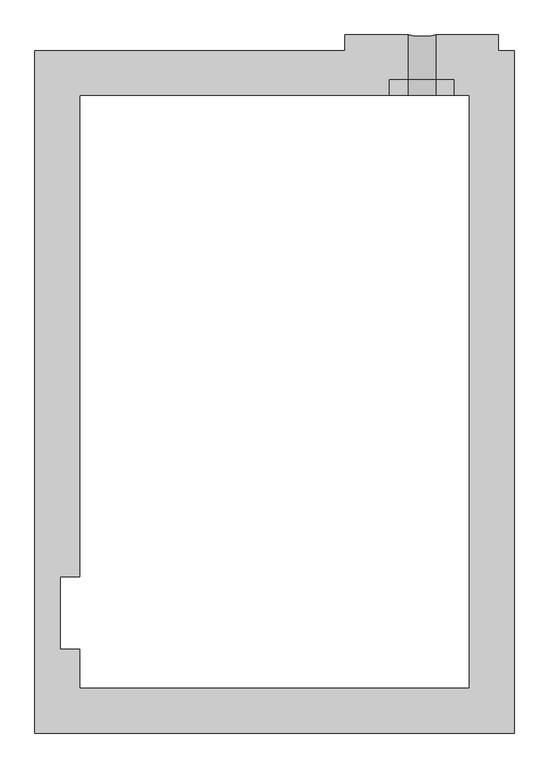
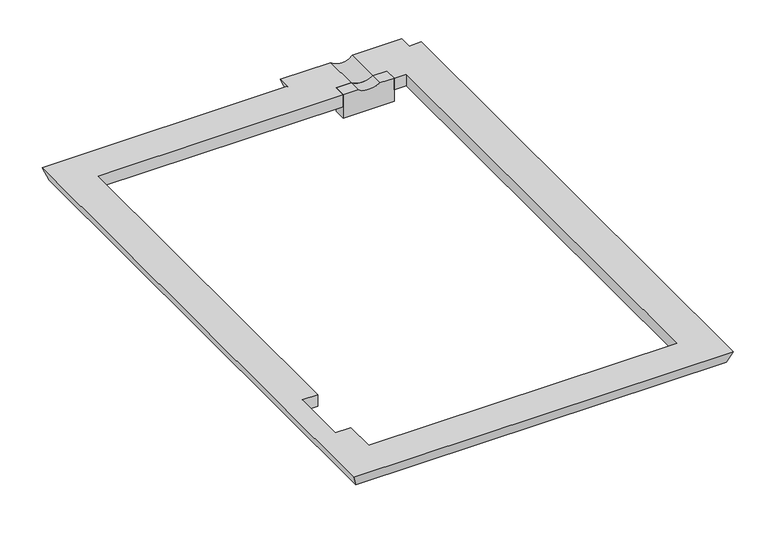
"""IFC4 building model written with IfcOpenShell, lengths in millimetres: geographic element geometry."""

from ifc_helpers import new_model, si_unit, point, frame, frame_2d, origin, place, context, project, spatial, polyline, circle_curve, ellipse_curve, trimmed, segment, composite_curve, outline, extrude, source, transform, mapped, element, save
from ifc_brep_helpers import plane_surface, revolved_surface, advanced_brep


def geographic_element_d4dd52d5(model_context):
    return source(origin(), model_context, "Body", "SolidModel", [
        extrude(outline(composite_curve([segment(polyline([(-400.0, 341.644241), (-400.0, 1167.6442407), (0.0, 1167.6442407), (0.0, 934.5430703)]), True, "CONTINUOUS"), segment(trimmed(circle_curve(frame_2d((265.5002088, 760.428484)), 317.5), [point((0.0, 934.5430703))], [point((0.0, 586.3138977))], True, "CARTESIAN"), True, "CONTINUOUS"), segment(polyline([(0.0, 586.3138977), (0.0, 341.644241), (-400.0, 341.644241)]), True, "CONTINUOUS")], self_intersect=False)), frame((0.0, 4513.5266014, 0.0), z_axis=(0.0, 1.0, 0.0), x_axis=(0.0, 0.0, 1.0)), (0.0, 0.0, 1.0), 200.0),
        advanced_brep(
        [(1367.6442408, 4513.5266014, -200.0), (1367.6442408, 4513.5266014, 0.0), (1167.6442407, 4513.5266014, 0.0), (1167.6442407, 4513.5266014, -200.0), (1941.1780198, 5087.0603804, 0.0), (1868.3839729, 5014.2663335, -200.0), (1668.3839728, 5014.2663335, -200.0), (1741.1780197, 5087.0603804, 0.0), (-3632.3557592, 4513.5266014, -200.0), (-3632.3557592, 4513.5266014, 0.0), (-3632.3557592, -1656.4733986, 0.0), (-3632.3557592, -1656.4733986, -200.0), (-3632.3557592, -3086.4733986, 0.0), (-3632.3557592, -3086.4733986, -200.0), (-3632.3557592, -2586.4733986, -200.0), (-3632.3557592, -2586.4733986, 0.0), (-4205.8895382, 5087.0603804, 0.0), (-4133.0954914, 5014.2663335, -200.0), (-4133.0954914, -3587.2131308, -200.0), (-4205.8895382, -3660.0071776, 0.0), (1367.6442408, -3086.4733986, 0.0), (1367.6442408, -3086.4733986, -200.0), (1868.3839729, -3587.2131308, -200.0), (1941.1780198, -3660.0071776, 0.0), (586.3138977, 4713.5266014, 0.0), (934.5430703, 4713.5266014, 0.0), (934.5430703, 5287.0603804, 0.0), (586.3138977, 5287.0603804, 0.0), (-3882.3557592, -2586.4733986, 0.0), (-3882.3557592, -2586.4733986, -200.0), (-3882.3557592, -1656.4733986, -200.0), (-3882.3557592, -1656.4733986, 0.0), (1167.6442407, 4713.5266014, 0.0), (1167.6442407, 4713.5266014, -200.0), (1668.3839728, 5214.2663335, -200.0), (1741.1780197, 5287.0603804, 0.0), (341.644241, 4713.5266014, 0.0), (341.644241, 4713.5266014, -200.0), (-159.0954911, 5214.2663335, -200.0), (-231.889538, 5287.0603804, 0.0), (341.644241, 4513.5266014, 0.0), (341.644241, 4513.5266014, -200.0), (-159.0954911, 5014.2663335, -200.0), (-231.889538, 5087.0603804, 0.0)],
        [
            (0, 1),
            (1, 2),
            (2, 3),
            (3, 0),
            (4, 5),
            (5, 6),
            (6, 7),
            (7, 4),
            (8, 9),
            (9, 10),
            (10, 11),
            (11, 8),
            (12, 13),
            (13, 14),
            (14, 15),
            (15, 12),
            (16, 17),
            (17, 18),
            (18, 19),
            (19, 16),
            (12, 20),
            (20, 21),
            (21, 13),
            (18, 22),
            (22, 23),
            (23, 19),
            (0, 21),
            (20, 1),
            (4, 23),
            (22, 5),
            (24, 25, circle_curve(frame((760.428484, 4713.5266014, 265.5002088), z_axis=(0.0, -1.0, 0.0), x_axis=(1.0, 0.0, 0.0)), 317.5)),
            (25, 26),
            (26, 27, ellipse_curve(frame((760.428484, 5383.6945536, 265.5002088), z_axis=(0.0, 0.9396926207859083, -0.3420201433256692), x_axis=(0.0, 0.3420201433256689, 0.9396926207859083)), 337.8764428, 317.5)),
            (27, 24),
            (28, 29),
            (29, 30),
            (30, 31),
            (31, 28),
            (30, 11),
            (10, 31),
            (28, 15),
            (14, 29),
            (2, 32),
            (32, 33),
            (33, 3),
            (6, 34),
            (34, 35),
            (35, 7),
            (32, 25),
            (24, 36),
            (36, 37),
            (37, 33),
            (34, 38),
            (38, 39),
            (39, 27),
            (26, 35),
            (36, 40),
            (40, 41),
            (41, 37),
            (38, 42),
            (42, 43),
            (43, 39),
            (9, 40),
            (43, 16),
            (8, 41),
            (17, 42),
        ],
        [
            plane_surface(frame((1367.6442408, 4513.5266014, 0.0), z_axis=(0.0, -1.0, 0.0), x_axis=(-1.0, 0.0, 0.0))),
            plane_surface(frame((1868.3839729, 5014.2663335, -200.0), z_axis=(0.0, 0.9396926207859083, -0.3420201433256692), x_axis=(-1.0, 0.0, 0.0))),
            plane_surface(frame((-3632.3557592, 4513.5266014, 0.0), z_axis=(1.0, 0.0, 0.0), x_axis=(0.0, -1.0, 0.0))),
            plane_surface(frame((-4133.0954914, 5014.2663335, -200.0), z_axis=(-0.9396926207859083, 0.0, -0.34202014332566916), x_axis=(0.0, -1.0, 0.0))),
            plane_surface(frame((-3632.3557592, -3086.4733986, 0.0), z_axis=(0.0, 1.0, 0.0), x_axis=(1.0, 0.0, 0.0))),
            plane_surface(frame((-4133.0954914, -3587.2131308, -200.0), z_axis=(0.0, -0.9396926207859083, -0.34202014332566916), x_axis=(1.0, 0.0, 0.0))),
            plane_surface(frame((1367.6442408, -3086.4733986, 0.0), z_axis=(-1.0, 0.0, 0.0), x_axis=(0.0, 1.0, 0.0))),
            plane_surface(frame((1868.3839729, -3587.2131308, -200.0), z_axis=(0.9396926207859083, 0.0, -0.34202014332566916), x_axis=(0.0, 1.0, 0.0))),
            revolved_surface(polyline([(1077.928484, 5499.255102992824, 265.5002088), (1077.928484, 4713.5266014, 265.5002088)]), (760.428484, 4513.5266014, 265.5002088), (0.0, 1.0, 0.0)),
            plane_surface(frame((-3882.3557592, -1656.4733986, 0.0), z_axis=(1.0, 0.0, 0.0), x_axis=(0.0, 1.0, 0.0))),
            plane_surface(frame((-3882.3557592, -1656.4733986, 0.0), z_axis=(0.0, -1.0, 0.0), x_axis=(1.0, 0.0, 0.0))),
            plane_surface(frame((-3882.3557592, -2586.4733986, -253.9800677), z_axis=(0.0, 1.0, 0.0), x_axis=(1.0, 0.0, 0.0))),
            plane_surface(frame((1167.6442407, 4513.5266014, 0.0), z_axis=(-1.0, 0.0, 0.0), x_axis=(0.0, 1.0, 0.0))),
            plane_surface(frame((1668.3839728, 5014.2663335, -200.0), z_axis=(0.9396926207859083, 0.0, -0.3420201433256692), x_axis=(0.0, 1.0, 0.0))),
            plane_surface(frame((1167.6442407, 4713.5266014, 0.0), z_axis=(0.0, -1.0, 0.0), x_axis=(-1.0, 0.0, 0.0))),
            plane_surface(frame((1668.3839728, 5214.2663335, -200.0), z_axis=(0.0, 0.9396926207859083, -0.3420201433256692), x_axis=(-1.0, 0.0, 0.0))),
            plane_surface(frame((341.644241, 4713.5266014, 0.0), z_axis=(1.0, 0.0, 0.0), x_axis=(0.0, -1.0, 0.0))),
            plane_surface(frame((-159.0954911, 5214.2663335, -200.0), z_axis=(-0.9396926207859083, 0.0, -0.34202014332566916), x_axis=(0.0, -1.0, 0.0))),
            plane_surface(frame((-231.889538, 5087.0603804, 0.0), z_axis=(0.0, 0.0, 1.0), x_axis=(-1.0, 0.0, 0.0))),
            plane_surface(frame((341.644241, 4513.5266014, 0.0), z_axis=(0.0, -1.0, 0.0), x_axis=(-1.0, 0.0, 0.0))),
            plane_surface(frame((341.644241, 4513.5266014, -200.0), z_axis=(0.0, 0.0, -1.0), x_axis=(-1.0, 0.0, 0.0))),
            plane_surface(frame((-159.0954911, 5014.2663335, -200.0), z_axis=(0.0, 0.9396926207859083, -0.34202014332566916), x_axis=(-1.0, 0.0, 0.0))),
        ],
        [
            (0, [[1, 2, 3, 4]]),
            (1, [[5, 6, 7, 8]]),
            (2, [[9, 10, 11, 12]]),
            (2, [[13, 14, 15, 16]]),
            (3, [[17, 18, 19, 20]]),
            (4, [[-13, 21, 22, 23]]),
            (5, [[-19, 24, 25, 26]]),
            (6, [[-1, 27, -22, 28]]),
            (7, [[-5, 29, -25, 30]]),
            (8, [[31, 32, 33, 34]]),
            (9, [[35, 36, 37, 38]]),
            (10, [[-37, 39, -11, 40]]),
            (11, [[-35, 41, -15, 42]]),
            (12, [[-3, 43, 44, 45]]),
            (13, [[-7, 46, 47, 48]]),
            (14, [[-44, 49, -31, 50, 51, 52]]),
            (15, [[-47, 53, 54, 55, -33, 56]]),
            (16, [[-51, 57, 58, 59]]),
            (17, [[-54, 60, 61, 62]]),
            (18, [[-2, -28, -21, -16, -41, -38, -40, -10, 63, -57, -50, -34, -55, -62, 64, -20, -26, -29, -8, -48, -56, -32, -49, -43]]),
            (19, [[-9, 65, -58, -63]]),
            (20, [[-6, -30, -24, -18, 66, -60, -53, -46], [-4, -45, -52, -59, -65, -12, -39, -36, -42, -14, -23, -27]]),
            (21, [[-17, -64, -61, -66]]),
        ],
    ),
    ])


if __name__ == "__main__":
    model = new_model("IFC4")
    model_context = context("Model", 3, world=origin())
    ifc_project = project(units=[si_unit("LENGTHUNIT", "METRE", prefix="MILLI")], contexts=[model_context])
    site = spatial("IfcSite", under=ifc_project)
    building = spatial("IfcBuilding", under=site)
    placement = place(None, origin())
    geographic_element_shape = geographic_element_d4dd52d5(model_context)
    element("IfcGeographicElement", 1, at=placement, inside=building, context=model_context, shape_type="MappedRepresentation", body=[
        mapped(geographic_element_shape, transform((0.0, 0.0, 0.0), x_axis=(1.0, 0.0, 0.0), y_axis=(0.0, 1.0, 0.0), z_axis=(0.0, 0.0, 1.0))),
    ])
    save(model, "model.ifc")
